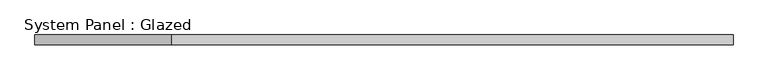
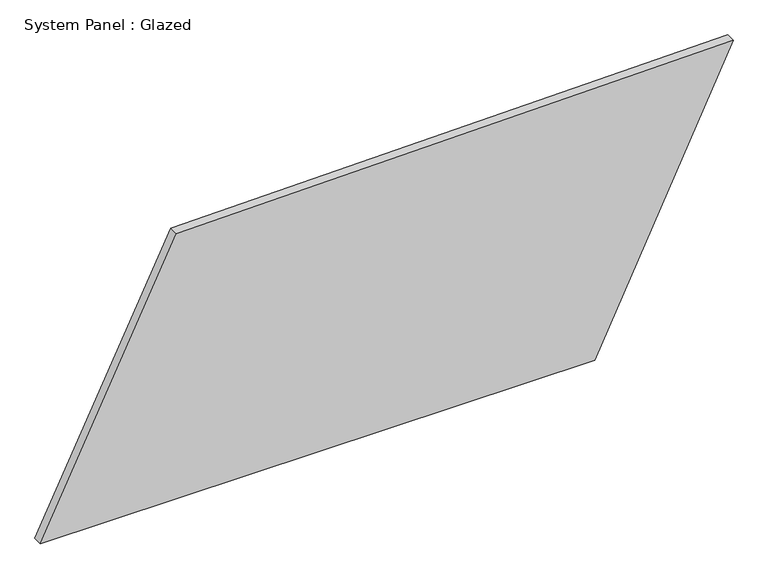
"""IFC4 building model written with IfcOpenShell, lengths in millimetres: plate geometry, System Panel : Glazed."""

from ifc_helpers import new_model, si_unit, frame, origin, place, context, project, spatial, polyline, outline, extrude, source, transform, mapped, element, save


def system_panel_glazed_6600edb6(model_context):
    return source(origin(), model_context, "Body", "SweptSolid", [
        extrude(outline(polyline([(0.0, -900.2003891), (0.0, 541.1581311), (753.3624269, 900.2003891), (728.4102171, -546.7015526), (0.0, -900.2003891)])), frame((0.0, -49.5, 0.0), z_axis=(0.0, 1.0, 0.0), x_axis=(0.0, 0.0, 1.0)), (0.0, 0.0, 1.0), 25.0),
    ])


if __name__ == "__main__":
    model = new_model("IFC4")
    model_context = context("Model", 3, world=origin())
    ifc_project = project(units=[si_unit("LENGTHUNIT", "METRE", prefix="MILLI")], contexts=[model_context])
    site = spatial("IfcSite", under=ifc_project)
    building = spatial("IfcBuilding", under=site)
    placement = place(None, origin())
    system_panel_glazed_shape = system_panel_glazed_6600edb6(model_context)
    element("IfcPlate", 1, ObjectType="System Panel : Glazed", at=placement, inside=building, context=model_context, shape_type="MappedRepresentation", body=[
        mapped(system_panel_glazed_shape, transform((0.0, 0.0, 0.0), x_axis=(1.0, 0.0, 0.0), y_axis=(0.0, 1.0, 0.0), z_axis=(0.0, 0.0, 1.0))),
    ])
    save(model, "model.ifc")
